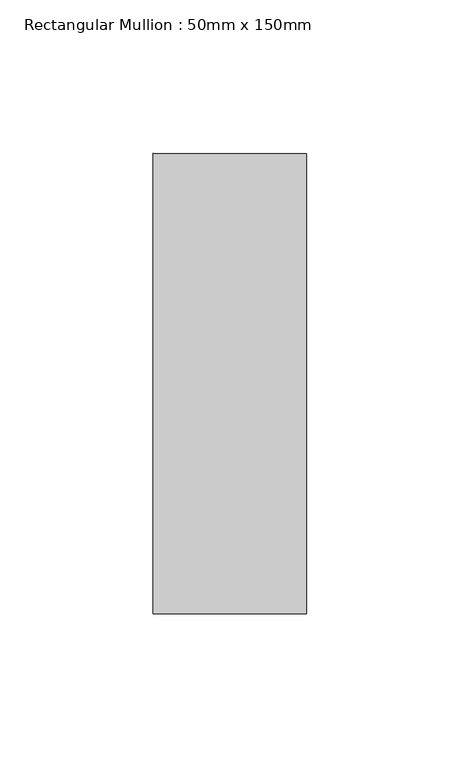
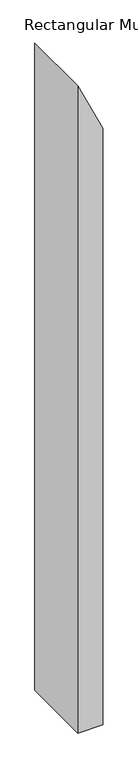
"""IFC4 building model written with IfcOpenShell, lengths in millimetres: member geometry, Rectangular Mullion : 50mm x 150mm."""

import ifcopenshell
import ifcopenshell.guid

model = None  # the IFC model being written
_history = None  # IfcOwnerHistory: only IFC2X3 demands one
_inside = {}  # id of a spatial element -> (the spatial element, [elements in it])
_under = {}  # id of a project, library or spatial element -> (it, [spatial elements below it])
_declared = {}  # id of a project -> (the project, [libraries it declares])
_typed = {}  # id of a type object -> (the type object, [elements of that type])
_made_of = {}  # id of a material, layer set ... -> (it, [elements and type objects made of it])


def new_model(schema):
    """Start an empty IFC model of exactly this schema.

    Asked for "IFC4X3", IfcOpenShell would pick the latest addendum, in which some entities
    have other attributes; the version numbers below select the first issue.
    IFC2X3 requires an IfcOwnerHistory on every rooted entity: one is made here for all.
    """
    global model, _history
    if schema == "IFC4X3":
        model = ifcopenshell.file(schema_version=(4, 3, 0, 0))
    else:
        model = ifcopenshell.file(schema=schema)
    _inside.clear()
    _under.clear()
    _declared.clear()
    _typed.clear()
    _made_of.clear()
    _history = None
    if model.schema == "IFC2X3":
        org = make("IfcOrganization", Name="unknown")
        user = make(
            "IfcPersonAndOrganization",
            ThePerson=make("IfcPerson", FamilyName="unknown"),
            TheOrganization=org,
        )
        app = make(
            "IfcApplication",
            ApplicationDeveloper=org,
            Version="unknown",
            ApplicationFullName="unknown",
            ApplicationIdentifier="unknown",
        )
        _history = make(
            "IfcOwnerHistory",
            OwningUser=user,
            OwningApplication=app,
            ChangeAction="ADDED",
            CreationDate=0,
        )
    return model


def make(cls, **values):
    """One entity of the class cls with the attributes given. An attribute that is None is left unset."""
    return model.create_entity(
        cls, **{name: value for name, value in values.items() if value is not None}
    )


def rooted(cls, **values):
    """An entity with a GlobalId (a new one), such as an element, a storey or a relation."""
    return make(cls, GlobalId=ifcopenshell.guid.new(), OwnerHistory=_history, **values)


def si_unit(unit_type, name, prefix=None):
    """IfcSIUnit, for example si_unit("LENGTHUNIT", "METRE", prefix="MILLI")."""
    return make("IfcSIUnit", UnitType=unit_type, Prefix=prefix, Name=name)


def assignment(units):
    """IfcUnitAssignment: the units of a project."""
    return None if units is None else make("IfcUnitAssignment", Units=units)


def point(xyz):
    """IfcCartesianPoint."""
    return None if xyz is None else make("IfcCartesianPoint", Coordinates=xyz)


def direction(xyz):
    """IfcDirection."""
    return None if xyz is None else make("IfcDirection", DirectionRatios=xyz)


def frame(location, z_axis=None, x_axis=None):
    """IfcAxis2Placement3D, a coordinate frame: its origin and axes. An axis left out is left unset."""
    return make(
        "IfcAxis2Placement3D",
        Location=point(location),
        Axis=direction(z_axis),
        RefDirection=direction(x_axis),
    )


def origin():
    """The frame at (0, 0, 0) with its axes left unset."""
    return frame((0.0, 0.0, 0.0))


def place(relative_to, where):
    """IfcLocalPlacement: puts the frame where relative to a parent placement (None: the world)."""
    return make(
        "IfcLocalPlacement", PlacementRelTo=relative_to, RelativePlacement=where
    )


def context(
    kind, dimensions, precision=None, world=None, true_north=None, identifier=None
):
    """IfcGeometricRepresentationContext, for example the 3D "Model" context."""
    return make(
        "IfcGeometricRepresentationContext",
        ContextIdentifier=identifier,
        ContextType=kind,
        CoordinateSpaceDimension=dimensions,
        Precision=precision,
        WorldCoordinateSystem=world,
        TrueNorth=true_north,
    )


def project(units=None, contexts=None):
    """IfcProject with its units and contexts."""
    return rooted(
        "IfcProject",
        Name="project",
        RepresentationContexts=contexts,
        UnitsInContext=assignment(units),
    )


def spatial(cls, under=None, at=None, **own):
    """A site, building, storey or space (cls), placed at a placement, below another one or the project."""
    s = rooted(cls, ObjectPlacement=at, **own)
    if under is not None:
        _under.setdefault(under.id(), (under, []))[1].append(s)
    return s


def polyline(points):
    """IfcPolyline through the points."""
    return make("IfcPolyline", Points=[point(p) for p in points])


def outline(outer, holes=None, kind="AREA"):
    """IfcArbitraryClosedProfileDef: a profile drawn as a closed curve; with holes, ...WithVoids."""
    if holes is None:
        return make("IfcArbitraryClosedProfileDef", ProfileType=kind, OuterCurve=outer)
    return make(
        "IfcArbitraryProfileDefWithVoids",
        ProfileType=kind,
        OuterCurve=outer,
        InnerCurves=holes,
    )


def extrude(swept, where, along, depth):
    """IfcExtrudedAreaSolid: the profile swept, set in the frame where, extruded along a direction by depth."""
    return make(
        "IfcExtrudedAreaSolid",
        SweptArea=swept,
        Position=where,
        ExtrudedDirection=direction(along),
        Depth=depth,
    )


def shape(context_of_items, identifier, shape_type, items):
    """IfcShapeRepresentation: the items that make up one representation, for example the "Body"."""
    return make(
        "IfcShapeRepresentation",
        ContextOfItems=context_of_items,
        RepresentationIdentifier=identifier,
        RepresentationType=shape_type,
        Items=items,
    )


def source(mapping_origin, context_of_items, identifier, shape_type, items):
    """IfcRepresentationMap: a shape defined once, which mapped items show again and again."""
    return make(
        "IfcRepresentationMap",
        MappingOrigin=mapping_origin,
        MappedRepresentation=shape(context_of_items, identifier, shape_type, items),
    )


def transform(
    local_origin,
    x_axis=None,
    y_axis=None,
    z_axis=None,
    scale=None,
    scale2=None,
    scale3=None,
    uniform=True,
):
    """IfcCartesianTransformationOperator3D, or its non-uniform kind. x_axis, y_axis, z_axis: its Axis1, 2, 3."""
    if uniform:
        return make(
            "IfcCartesianTransformationOperator3D",
            Axis1=direction(x_axis),
            Axis2=direction(y_axis),
            LocalOrigin=point(local_origin),
            Scale=scale,
            Axis3=direction(z_axis),
        )
    return make(
        "IfcCartesianTransformationOperator3DnonUniform",
        Axis1=direction(x_axis),
        Axis2=direction(y_axis),
        LocalOrigin=point(local_origin),
        Scale=scale,
        Axis3=direction(z_axis),
        Scale2=scale2,
        Scale3=scale3,
    )


def mapped(mapping_source, mapping_target):
    """IfcMappedItem: shows the shape of a source again, moved by a transform."""
    return make(
        "IfcMappedItem", MappingSource=mapping_source, MappingTarget=mapping_target
    )


def made_of(thing, what):
    """Note that an element or type object is made of a material, layer set ...; save() writes the relation."""
    if what is not None:
        _made_of.setdefault(what.id(), (what, []))[1].append(thing)
    return thing


def element(
    cls,
    number,
    at=None,
    inside=None,
    cuts=None,
    type_object=None,
    material=None,
    context=None,
    identifier="Body",
    shape_type=None,
    held_by="IfcProductDefinitionShape",
    body=None,
    shapes=None,
    **own,
):
    """One element of the class cls, such as IfcWall. Its Tag is "e" and its number.

    at: its placement. inside: the storey or other place that contains it. cuts: it is an
    opening in that element (IfcRelVoidsElement). A single representation is given by context,
    identifier, shape_type and body (its items); several are given by shapes. held_by: the class
    of the entity that holds the representations. save() writes the other relations.
    """
    e = rooted(cls, Tag="e%d" % number, ObjectPlacement=at, **own)
    if body is not None:
        shapes = [shape(context, identifier, shape_type, body)]
    if shapes is not None:
        e.Representation = make(held_by, Representations=shapes)
    if inside is not None:
        _inside.setdefault(inside.id(), (inside, []))[1].append(e)
    if cuts is not None:
        rooted(
            "IfcRelVoidsElement", RelatingBuildingElement=cuts, RelatedOpeningElement=e
        )
    if type_object is not None:
        _typed.setdefault(type_object.id(), (type_object, []))[1].append(e)
    return made_of(e, material)


def aggregate(whole, parts):
    """IfcRelAggregates: a whole, such as a stair, and the parts it consists of."""
    return rooted("IfcRelAggregates", RelatingObject=whole, RelatedObjects=parts)


def save(model, path):
    """Write the relations noted so far, then the file.

    IfcRelAggregates (storeys below a building ...), IfcRelContainedInSpatialStructure (elements
    in a storey), IfcRelDefinesByType, IfcRelAssociatesMaterial and IfcRelDeclares: one each for
    every whole, place, type object, material and project.
    """
    for whole, parts in _under.values():
        aggregate(whole, parts)
    for where, things in _inside.values():
        rooted(
            "IfcRelContainedInSpatialStructure",
            RelatedElements=things,
            RelatingStructure=where,
        )
    for kind, things in _typed.values():
        rooted("IfcRelDefinesByType", RelatedObjects=things, RelatingType=kind)
    for what, things in _made_of.values():
        rooted("IfcRelAssociatesMaterial", RelatedObjects=things, RelatingMaterial=what)
    for by, libraries in _declared.values():
        rooted("IfcRelDeclares", RelatingContext=by, RelatedDefinitions=libraries)
    model.write(path)


def rectangular_mullion_50mm_x_150mm_07a2d862(model_context):
    return source(origin(), model_context, "Body", "SweptSolid", [
        extrude(outline(polyline([(-172.7055075, 25.0), (-64.9237238, -25.0), (-1445.6412641, -25.0), (-1445.6412641, 25.0), (-172.7055075, 25.0)])), frame((0.0, -75.0, 0.0), z_axis=(0.0, 1.0, 0.0), x_axis=(0.0, 0.0, 1.0)), (0.0, 0.0, 1.0), 150.0),
    ])


if __name__ == "__main__":
    model = new_model("IFC4")
    model_context = context("Model", 3, world=origin())
    ifc_project = project(units=[si_unit("LENGTHUNIT", "METRE", prefix="MILLI")], contexts=[model_context])
    site = spatial("IfcSite", under=ifc_project)
    building = spatial("IfcBuilding", under=site)
    placement = place(None, origin())
    rectangular_mullion_50mm_x_150mm_shape = rectangular_mullion_50mm_x_150mm_07a2d862(model_context)
    element("IfcMember", 1, ObjectType="Rectangular Mullion : 50mm x 150mm", at=placement, inside=building, context=model_context, shape_type="MappedRepresentation", body=[
        mapped(rectangular_mullion_50mm_x_150mm_shape, transform((0.0, 0.0, 0.0), x_axis=(1.0, 0.0, 0.0), y_axis=(0.0, 1.0, 0.0), z_axis=(0.0, 0.0, 1.0))),
    ])
    save(model, "model.ifc")
